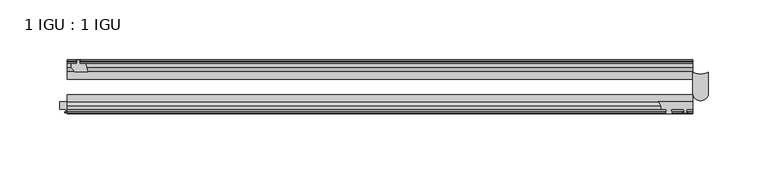
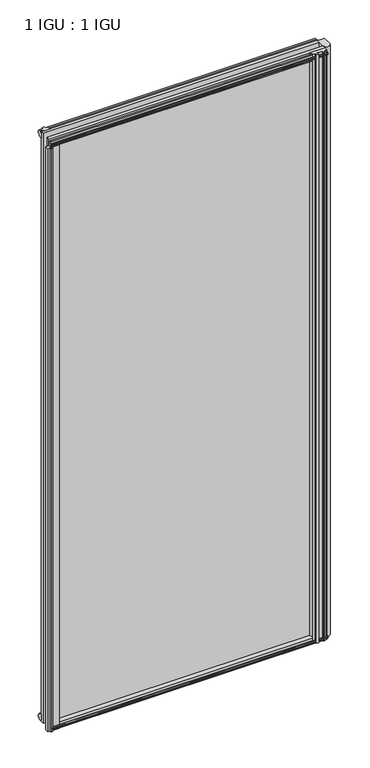
"""IFC4 building model written with IfcOpenShell, lengths in millimetres: plate geometry, 1 IGU : 1 IGU."""

from ifc_helpers import new_model, si_unit, point, frame, frame_2d, origin, place, context, project, spatial, polyline, circle_curve, trimmed, segment, composite_curve, outline, extrude, source, transform, mapped, element, save


def plate_1_igu_1_igu_88d9db29(model_context):
    return source(origin(), model_context, "Body", "SweptSolid", [
        extrude(outline(composite_curve([segment(polyline([(218.0571386, -44.9460938), (218.0571386, -51.2960937), (212.9771386, -51.2960937), (212.6596386, -53.4006957), (213.8782444, -53.0741712), (214.0820386, -53.8347412), (211.7071386, -54.4710938), (209.3322386, -53.8347412), (209.5360327, -53.0741712), (210.7546386, -53.4006957), (210.4371386, -51.2960937), (200.0485386, -51.2960937)]), True, "CONTINUOUS"), segment(trimmed(circle_curve(frame_2d((200.0485386, -51.7532937)), 0.4572), [point((200.0485386, -51.2960937))], [point((199.7097207, -52.0602698))], True, "CARTESIAN"), True, "CONTINUOUS"), segment(trimmed(circle_curve(frame_2d((197.9403386, -53.663367)), 2.3876), [point((199.7097207, -52.0602698))], [point((200.0109816, -54.8520937))], False, "CARTESIAN"), True, "CONTINUOUS"), segment(polyline([(200.0109816, -54.8520937), (195.8696955, -54.8520937)]), True, "CONTINUOUS"), segment(trimmed(circle_curve(frame_2d((197.9403386, -53.663367)), 2.3876), [point((195.8696955, -54.8520937))], [point((196.1709564, -52.0602698))], False, "CARTESIAN"), True, "CONTINUOUS"), segment(trimmed(circle_curve(frame_2d((195.8321386, -51.7532937)), 0.4572), [point((196.1709564, -52.0602698))], [point((195.8321386, -51.2960937))], True, "CARTESIAN"), True, "CONTINUOUS"), segment(polyline([(195.8321386, -51.2960937), (191.5903386, -51.2960937)]), True, "CONTINUOUS"), segment(trimmed(circle_curve(frame_2d((184.4609382, -50.3546963)), 7.1912849), [point((191.5903386, -51.2960937))], [point((189.200305, -44.9460938))], True, "CARTESIAN"), True, "CONTINUOUS"), segment(polyline([(189.200305, -44.9460938), (218.0571386, -44.9460938)]), True, "CONTINUOUS")], self_intersect=False)), frame((0.0, 0.0, -10.7152524), z_axis=(0.0, 0.0, 1.0), x_axis=(1.0, 0.0, 0.0)), (0.0, 0.0, 1.0), 1178.8739524),
        extrude(outline(polyline([(-295.7968906, -9.7670937), (-293.6193616, -10.4746158), (-293.6193616, -11.27583), (-295.0348906, -10.8158968), (-294.6538906, -13.1960937), (-289.4468906, -13.1960937), (-287.7291725, -19.5460937), (-298.5505485, -19.5460937), (-301.3848906, -16.1424937), (-301.3848906, -13.1960937), (-296.9398906, -13.1960937), (-296.5588906, -10.8158968), (-297.9744197, -11.27583), (-297.9744197, -10.4746158), (-295.7968906, -9.7670937)])), frame((0.0, 0.0, -12.4587), z_axis=(0.0, 0.0, 1.0), x_axis=(1.0, 0.0, 0.0)), (0.0, 0.0, 1.0), 1180.6174),
        extrude(outline(composite_curve([segment(polyline([(-311.1511906, -44.9460937), (-287.0629464, -44.9460937)]), True, "CONTINUOUS"), segment(trimmed(circle_curve(frame_2d((-280.1505628, -50.4227155)), 8.8189814), [point((-287.0629464, -44.9460937))], [point((-288.9261906, -51.2960937))], True, "CARTESIAN"), True, "CONTINUOUS"), segment(polyline([(-288.9261906, -51.2960937), (-303.5311906, -51.2960937), (-303.8486906, -53.4006957), (-302.6300847, -53.0741712), (-302.4262906, -53.8347412), (-304.8011906, -54.4710937), (-307.1760906, -53.8347412), (-306.9722965, -53.0741712), (-305.7536906, -53.4006957), (-306.0711906, -51.2960937), (-311.1511906, -51.2960937), (-311.1511906, -44.9460937)]), True, "CONTINUOUS")], self_intersect=False)), frame((0.0, 0.0, -12.4587), z_axis=(0.0, 0.0, 1.0), x_axis=(1.0, 0.0, 0.0)), (0.0, 0.0, 1.0), 1167.9174),
        extrude(outline(composite_curve([segment(polyline([(230.8489714, -20.0263871), (230.8489714, -37.7227655)]), True, "CONTINUOUS"), segment(trimmed(circle_curve(frame_2d((224.4888938, -37.7227655)), 6.3600776), [point((230.8489714, -37.7227655))], [point((218.1288163, -37.7227655))], False, "CARTESIAN"), True, "CONTINUOUS"), segment(polyline([(218.1288163, -37.7227655), (218.1288163, -20.0263871)]), True, "CONTINUOUS"), segment(trimmed(circle_curve(frame_2d((224.4888938, -9.6643371)), 12.1582346), [point((218.1288163, -20.0263871))], [point((230.8489714, -20.0263871))], True, "CARTESIAN"), True, "CONTINUOUS")], self_intersect=False)), frame((0.0, 0.0, -12.7), z_axis=(0.0, 0.0, 1.0), x_axis=(1.0, 0.0, 0.0)), (0.0, 0.0, 1.0), 1181.1),
        extrude(outline(polyline([(-10.4746158, -4.6931709), (-9.7670937, -6.8707), (-10.4746158, -9.0482291), (-11.27583, -9.0482291), (-10.8158968, -7.6327), (-13.1960937, -8.0137), (-13.1960937, -12.4587), (-16.1424937, -12.4587), (-19.5460937, -9.6243578), (-19.5460937, 1.1970181), (-13.1960937, -0.5207), (-13.1960937, -5.7277), (-10.8158968, -6.1087), (-11.27583, -4.6931709), (-10.4746158, -4.6931709)])), frame((-304.8011906, 0.0, 0.0), z_axis=(1.0, 0.0, 0.0), x_axis=(0.0, 1.0, 0.0)), (0.0, 0.0, 1.0), 522.8851937),
        extrude(outline(polyline([(-44.9460937, 1.7177181), (-44.9460937, -9.1036578), (-48.3496937, -11.938), (-51.2960937, -11.938), (-51.2960937, -7.493), (-53.6762907, -7.112), (-53.2163575, -8.5275291), (-54.0175717, -8.5275291), (-54.7250937, -6.35), (-54.0175717, -4.1724709), (-53.2163575, -4.1724709), (-53.6762907, -5.588), (-51.2960937, -5.207), (-51.2960937, 0.0), (-44.9460937, 1.7177181)])), frame((-304.8011906, 0.0, 0.0), z_axis=(1.0, 0.0, 0.0), x_axis=(0.0, 1.0, 0.0)), (0.0, 0.0, 1.0), 522.8851937),
        extrude(outline(polyline([(-10.8158968, 1163.3327), (-11.27583, 1164.7482291), (-10.4746158, 1164.7482291), (-9.7670937, 1162.5707), (-10.4746158, 1160.3931709), (-11.27583, 1160.3931709), (-10.8158968, 1161.8087), (-13.1960937, 1161.4277), (-13.1960937, 1156.2207), (-19.5460938, 1154.5029819), (-19.5460938, 1165.3243578), (-16.1424937, 1168.1587), (-13.1960937, 1168.1587), (-13.1960937, 1163.7137), (-10.8158968, 1163.3327)])), frame((-304.8011906, 0.0, 0.0), z_axis=(1.0, 0.0, 0.0), x_axis=(0.0, 1.0, 0.0)), (0.0, 0.0, 1.0), 522.8851937),
        extrude(outline(polyline([(-51.2960937, 1167.638), (-48.3496937, 1167.638), (-44.9460938, 1164.8036578), (-44.9460938, 1153.9822819), (-51.2960937, 1155.7), (-51.2960937, 1160.907), (-53.6762907, 1161.288), (-53.2163575, 1159.8724709), (-54.0175717, 1159.8724709), (-54.7250937, 1162.05), (-54.0175717, 1164.2275291), (-53.2163575, 1164.2275291), (-53.6762907, 1162.812), (-51.2960937, 1163.193), (-51.2960937, 1167.638)])), frame((-304.8011906, 0.0, 0.0), z_axis=(1.0, 0.0, 0.0), x_axis=(0.0, 1.0, 0.0)), (0.0, 0.0, 1.0), 522.8851937),
        extrude(outline(polyline([(-304.8011906, -38.9186738), (218.0840031, -38.9186738), (218.0840031, -44.9460937), (-304.8011906, -44.9460937), (-304.8011906, -38.9186738)])), frame((0.0, 0.0, -12.7), z_axis=(0.0, 0.0, 1.0), x_axis=(1.0, 0.0, 0.0)), (0.0, 0.0, 1.0), 1181.1),
        extrude(outline(polyline([(-304.8011906, -19.5460937), (218.0840031, -19.5460937), (218.0840031, -25.8960938), (-304.8011906, -25.8960938), (-304.8011906, -19.5460937)])), frame((0.0, 0.0, -12.7), z_axis=(0.0, 0.0, 1.0), x_axis=(1.0, 0.0, 0.0)), (0.0, 0.0, 1.0), 1181.1),
    ])


if __name__ == "__main__":
    model = new_model("IFC4")
    model_context = context("Model", 3, world=origin())
    ifc_project = project(units=[si_unit("LENGTHUNIT", "METRE", prefix="MILLI")], contexts=[model_context])
    site = spatial("IfcSite", under=ifc_project)
    building = spatial("IfcBuilding", under=site)
    placement = place(None, origin())
    plate_1_igu_1_igu_shape = plate_1_igu_1_igu_88d9db29(model_context)
    element("IfcPlate", 1, ObjectType="1 IGU : 1 IGU", at=placement, inside=building, context=model_context, shape_type="MappedRepresentation", body=[
        mapped(plate_1_igu_1_igu_shape, transform((0.0, 0.0, 0.0), x_axis=(1.0, 0.0, 0.0), y_axis=(0.0, 1.0, 0.0), z_axis=(0.0, 0.0, 1.0))),
    ])
    save(model, "model.ifc")
